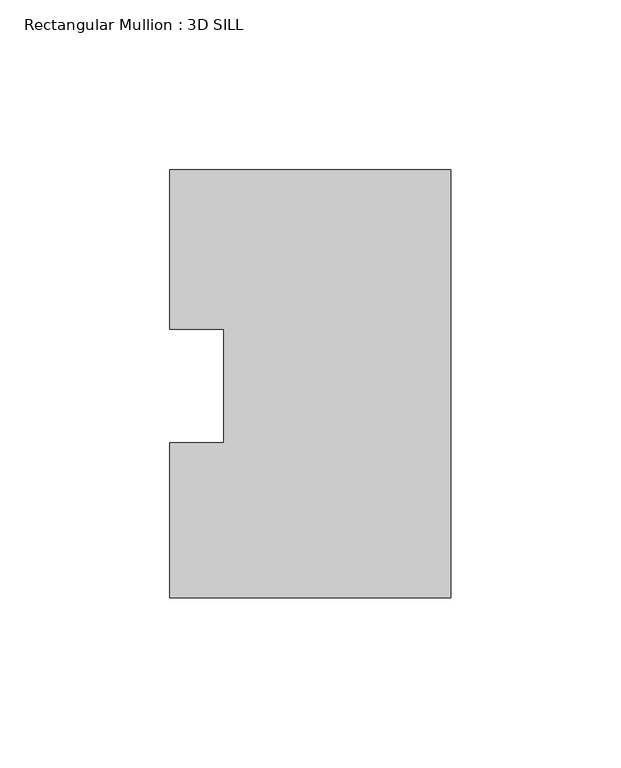
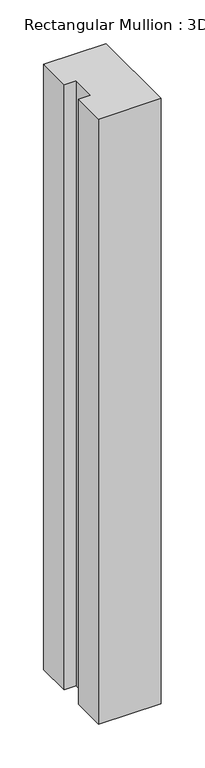
"""IFC4 building model written with IfcOpenShell, lengths in millimetres: member geometry, Rectangular Mullion : 3D SILL."""

from ifc_helpers import new_model, si_unit, frame, origin, place, context, project, spatial, polyline, outline, extrude, source, transform, mapped, element, save


def rectangular_mullion_3d_sill_0304fd17(model_context):
    return source(origin(), model_context, "Body", "SweptSolid", [
        extrude(outline(polyline([(-82.5548917, 16.7234075), (-82.5548917, 63.5107262), (0.0, 63.5107262), (0.0, -62.2700738), (-82.5548917, -62.2700738), (-82.5548917, -16.7234075), (-66.6798917, -16.7234075), (-66.6798917, 16.7234075), (-82.5548917, 16.7234075)])), frame((0.0, 0.0, -844.55), z_axis=(0.0, 0.0, 1.0), x_axis=(1.0, 0.0, 0.0)), (0.0, 0.0, 1.0), 844.55),
    ])


if __name__ == "__main__":
    model = new_model("IFC4")
    model_context = context("Model", 3, world=origin())
    ifc_project = project(units=[si_unit("LENGTHUNIT", "METRE", prefix="MILLI")], contexts=[model_context])
    site = spatial("IfcSite", under=ifc_project)
    building = spatial("IfcBuilding", under=site)
    placement = place(None, origin())
    rectangular_mullion_3d_sill_shape = rectangular_mullion_3d_sill_0304fd17(model_context)
    element("IfcMember", 1, ObjectType="Rectangular Mullion : 3D SILL", at=placement, inside=building, context=model_context, shape_type="MappedRepresentation", body=[
        mapped(rectangular_mullion_3d_sill_shape, transform((0.0, 0.0, 0.0), x_axis=(1.0, 0.0, 0.0), y_axis=(0.0, 1.0, 0.0), z_axis=(0.0, 0.0, 1.0))),
    ])
    save(model, "model.ifc")
